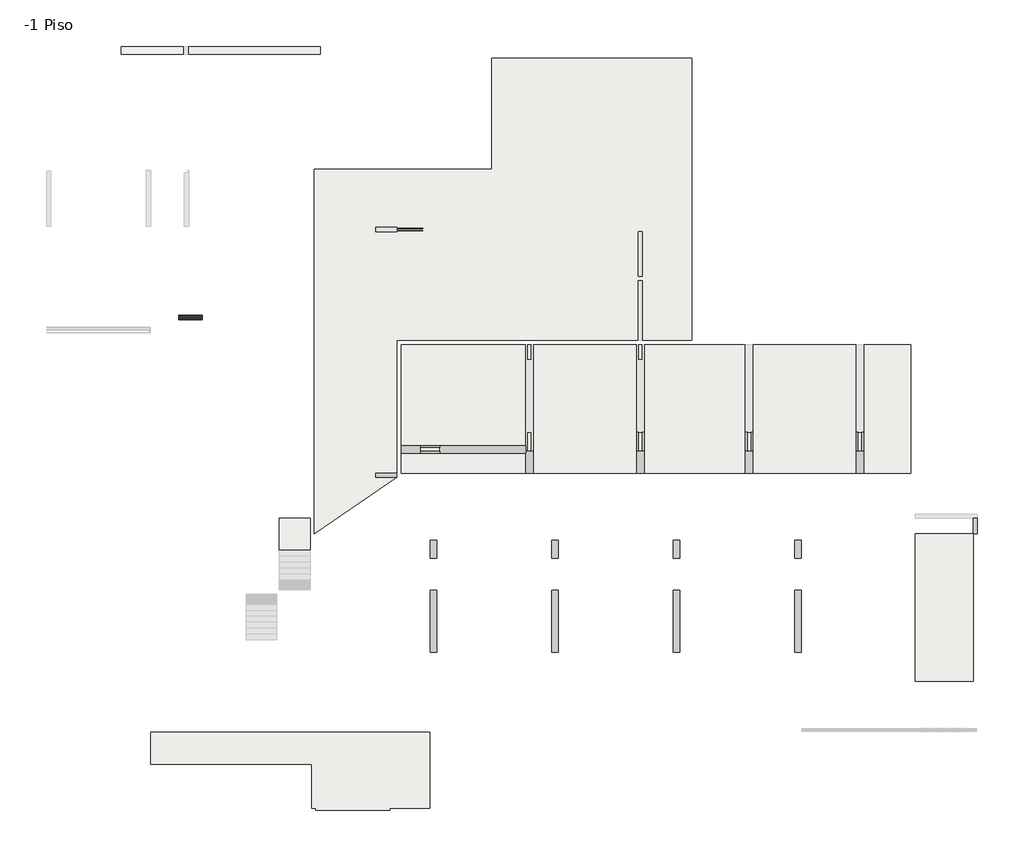
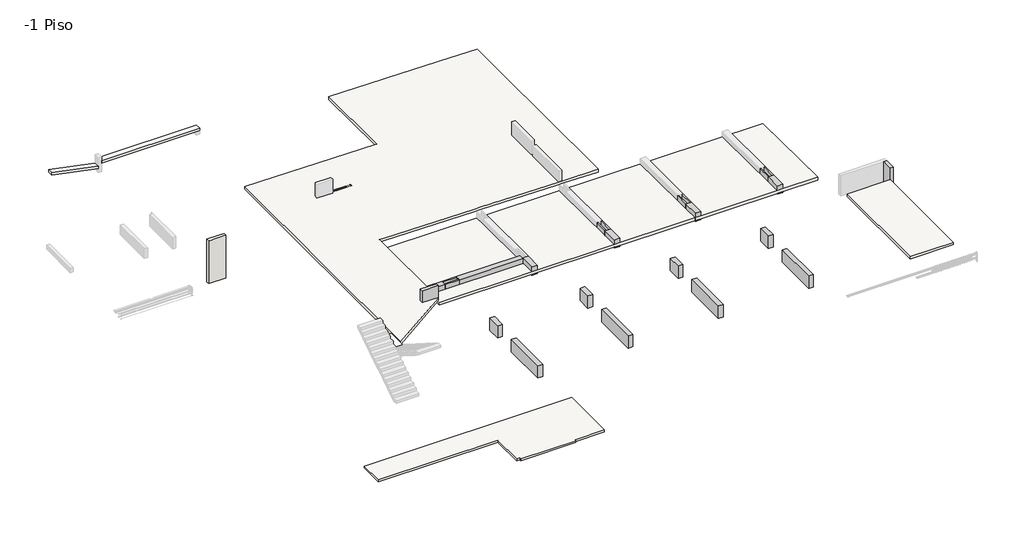
# One storey, part 1 of 3: 20 beams, 7 slabs, 1 wall.
"""IFC4 building model written with IfcOpenShell, lengths in millimetres."""

from ifc_helpers import new_model, si_unit, frame, origin, place, context, project, spatial, polyline, outline, extrude, faceted_brep, element, save

model = new_model("IFC4")

# Units and contexts
model_context = context("Model", 3, world=origin())
ifc_project = project(units=[si_unit("LENGTHUNIT", "METRE", prefix="MILLI")], contexts=[model_context])

# Site, building, storey
site = spatial("IfcSite", under=ifc_project)
building = spatial("IfcBuilding", under=site)
storey = spatial("IfcBuildingStorey", under=building, Name="-1 Piso", Elevation=-670.0)

# Beams
placement = place(None, origin())
element("IfcBeam", 1, ObjectType="V. 20/135", at=placement, inside=storey, context=model_context, shape_type="Brep", body=[
    faceted_brep([(1994.3087092, -5419.0672499, 100.0), (1794.3087092, -5419.0672499, 100.0), (1794.3087092, -5419.0672499, -670.0), (1794.3087092, -5419.0672499, -830.0156792), (1794.3087092, -5419.0672499, -1250.0), (1994.3087092, -5419.0672499, -1250.0), (1994.3087092, -5419.0672499, -670.0), (1994.3087092, -4689.0672499, -1250.0), (1994.3087092, -4689.0672499, 100.0), (1794.3087092, -4689.0672499, -1250.0), (1794.3087092, -4689.0672499, 100.0), (1794.3087092, -4689.0672499, -680.22), (1794.3087092, -4689.0672499, -840.2356792)], [[[0, 1, 2, 3, 4, 5, 6]], [[0, 6, 5, 7, 8]], [[5, 4, 9, 7]], [[4, 3, 2, 1, 10, 11, 12, 9]], [[1, 0, 8, 10]], [[8, 7, 9, 12, 11, 10]]]),
])
element("IfcBeam", 2, ObjectType="V. 30/98", at=placement, inside=storey, context=model_context, shape_type="Brep", body=[
    faceted_brep([(-23325.6912908, -8059.0672499, -1650.0), (-23625.6912908, -8059.0672499, -1650.0), (-23625.6912908, -8059.0672499, -830.0), (-23325.6912908, -8059.0672499, -830.0), (-23625.6912908, -10959.0672499, -1650.0), (-23325.6912908, -10959.0672499, -1650.0), (-23325.6912908, -10959.0672499, -830.0), (-23625.6912908, -10959.0672499, -830.0), (-23625.6912908, -8979.0956987, -830.0)], [[[0, 1, 2, 3]], [[4, 5, 6, 7]], [[5, 0, 3, 6]], [[1, 0, 5, 4]], [[1, 4, 7, 8, 2]], [[3, 2, 8, 7, 6]]]),
])
element("IfcBeam", 3, ObjectType="V. 30/98", at=placement, inside=storey, context=model_context, shape_type="SweptSolid", body=[
    extrude(outline(polyline([(-23325.6912908, -6559.0672499), (-23625.6912908, -6559.0672499), (-23625.6912908, -5719.0672499), (-23325.6912908, -5719.0672499), (-23325.6912908, -6559.0672499)])), frame((0.0, 0.0, -1650.0), z_axis=(0.0, 0.0, 1.0), x_axis=(1.0, 0.0, 0.0)), (0.0, 0.0, 1.0), 820.0),
])
element("IfcBeam", 4, ObjectType="V. 30/98", at=placement, inside=storey, context=model_context, shape_type="SweptSolid", body=[
    extrude(outline(polyline([(-17635.6912908, -6559.0672499), (-17935.6912908, -6559.0672499), (-17935.6912908, -5719.0672499), (-17635.6912908, -5719.0672499), (-17635.6912908, -6559.0672499)])), frame((0.0, 0.0, -1650.0), z_axis=(0.0, 0.0, 1.0), x_axis=(1.0, 0.0, 0.0)), (0.0, 0.0, 1.0), 820.0),
])
element("IfcBeam", 5, ObjectType="V. 30/98", at=placement, inside=storey, context=model_context, shape_type="SweptSolid", body=[
    extrude(outline(polyline([(-17935.6912908, -8059.0672499), (-17635.6912908, -8059.0672499), (-17635.6912908, -10959.0672499), (-17935.6912908, -10959.0672499), (-17935.6912908, -8059.0672499)])), frame((0.0, 0.0, -1650.0), z_axis=(0.0, 0.0, 1.0), x_axis=(1.0, 0.0, 0.0)), (0.0, 0.0, 1.0), 820.0),
])
element("IfcBeam", 6, ObjectType="V. 30/98", at=placement, inside=storey, context=model_context, shape_type="SweptSolid", body=[
    extrude(outline(polyline([(-12245.6912908, -8059.0672499), (-11945.6912908, -8059.0672499), (-11945.6912908, -10959.0672499), (-12245.6912908, -10959.0672499), (-12245.6912908, -8059.0672499)])), frame((0.0, 0.0, -1650.0), z_axis=(0.0, 0.0, 1.0), x_axis=(1.0, 0.0, 0.0)), (0.0, 0.0, 1.0), 820.0),
])
element("IfcBeam", 7, ObjectType="V. 30/98", at=placement, inside=storey, context=model_context, shape_type="SweptSolid", body=[
    extrude(outline(polyline([(-6555.6912908, -8059.0672499), (-6255.6912908, -8059.0672499), (-6255.6912908, -10959.0672499), (-6555.6912908, -10959.0672499), (-6555.6912908, -8059.0672499)])), frame((0.0, 0.0, -1650.0), z_axis=(0.0, 0.0, 1.0), x_axis=(1.0, 0.0, 0.0)), (0.0, 0.0, 1.0), 820.0),
])
element("IfcBeam", 8, ObjectType="V. 30/98", at=placement, inside=storey, context=model_context, shape_type="SweptSolid", body=[
    extrude(outline(polyline([(-11945.6912908, -6559.0672499), (-12245.6912908, -6559.0672499), (-12245.6912908, -5719.0672499), (-11945.6912908, -5719.0672499), (-11945.6912908, -6559.0672499)])), frame((0.0, 0.0, -1650.0), z_axis=(0.0, 0.0, 1.0), x_axis=(1.0, 0.0, 0.0)), (0.0, 0.0, 1.0), 820.0),
])
element("IfcBeam", 9, ObjectType="V. 30/98", at=placement, inside=storey, context=model_context, shape_type="SweptSolid", body=[
    extrude(outline(polyline([(-6255.6912908, -6559.0672499), (-6555.6912908, -6559.0672499), (-6555.6912908, -5719.0672499), (-6255.6912908, -5719.0672499), (-6255.6912908, -6559.0672499)])), frame((0.0, 0.0, -1650.0), z_axis=(0.0, 0.0, 1.0), x_axis=(1.0, 0.0, 0.0)), (0.0, 0.0, 1.0), 820.0),
])
element("IfcBeam", 10, ObjectType="VI. 20/80", at=placement, inside=storey, context=model_context, shape_type="Brep", body=[
    faceted_brep([(-26195.6912908, -2769.0672499, 100.0), (-26195.6912908, -2569.0672499, 100.0), (-26195.6912908, -2569.0672499, -673.69875), (-26195.6912908, -2769.0672499, -673.69875), (-25195.6912908, -2569.0672499, 100.0), (-25195.6912908, -2769.0672499, 100.0), (-25195.6912908, -2769.0672499, -683.69875), (-25195.6912908, -2569.0672499, -683.69875), (-25195.6912908, -2569.0672499, -350.0), (-25195.6912908, -2569.0672499, -200.0)], [[[0, 1, 2, 3]], [[4, 5, 6, 7, 8, 9]], [[1, 4, 9, 8, 7, 2]], [[5, 0, 3, 6]], [[1, 0, 5, 4]], [[3, 2, 7, 6]]]),
])
element("IfcBeam", 11, ObjectType="VI. 35/55", at=placement, inside=storey, context=model_context, shape_type="Brep", body=[
    faceted_brep([(-18820.6912908, -1559.1017012, -900.0), (-18820.6912908, -1559.1017012, -1220.0996555), (-18820.6912908, -1559.1017012, -1400.1086553), (-18820.6912908, -1559.1017012, -1450.0), (-18895.6912908, -1559.1017012, -1450.0), (-19095.6912908, -1559.1017012, -1450.0), (-19170.6912908, -1559.1017012, -1450.0), (-19170.6912908, -1559.1017012, -1400.1086553), (-19170.6912908, -1559.1017012, -1220.0996555), (-19170.6912908, -1559.1017012, -900.0), (-19095.6912908, -1559.1017012, -900.0), (-18895.6912908, -1559.1017012, -900.0), (-18820.6912908, -2569.0672499, -900.0), (-19170.6912908, -2569.0672499, -900.0), (-19170.6912908, -2569.0672499, -1450.0), (-18820.6912908, -2569.0672499, -1450.0), (-19170.6912908, -1634.1017012, -1450.0), (-19170.6912908, -1634.1017012, -900.0)], [[[0, 1, 2, 3, 4, 5, 6, 7, 8, 9, 10, 11]], [[12, 13, 14, 15]], [[3, 2, 1, 0, 12, 15]], [[6, 5, 4, 3, 15, 14, 16]], [[9, 8, 7, 6, 16, 14, 13, 17]], [[0, 11, 10, 9, 17, 13, 12]]]),
])
element("IfcBeam", 12, ObjectType="VI. 35/55", at=placement, inside=storey, context=model_context, shape_type="Brep", body=[
    faceted_brep([(-24095.725742, -1634.1017012, -900.0), (-24095.725742, -1634.1017012, -1219.3496555), (-24095.725742, -1634.1017012, -1399.3586553), (-24095.725742, -1634.1017012, -1450.0), (-24095.725742, -1559.1017012, -1450.0), (-24095.725742, -1359.1017012, -1450.0), (-24095.725742, -1284.1017012, -1450.0), (-24095.725742, -1284.1017012, -1402.8586553), (-24095.725742, -1284.1017012, -1222.8496555), (-24095.725742, -1284.1017012, -900.0), (-24095.725742, -1359.1017012, -900.0), (-24095.725742, -1559.1017012, -900.0), (-24995.6912908, -1634.1017012, -900.0), (-24995.6912908, -1284.1017012, -900.0), (-24995.6912908, -1284.1017012, -1450.0), (-24995.6912908, -1634.1017012, -1450.0)], [[[0, 1, 2, 3, 4, 5, 6, 7, 8, 9, 10, 11]], [[12, 13, 14, 15]], [[3, 2, 1, 0, 12, 15]], [[6, 5, 4, 3, 15, 14]], [[9, 8, 7, 6, 14, 13]], [[0, 11, 10, 9, 13, 12]]]),
])
element("IfcBeam", 13, ObjectType="VI. 35/55", at=placement, inside=storey, context=model_context, shape_type="Brep", body=[
    faceted_brep([(-8520.6912908, -1559.1017012, -900.0), (-8520.6912908, -1559.1017012, -1220.0996555), (-8520.6912908, -1559.1017012, -1400.1086553), (-8520.6912908, -1559.1017012, -1450.0), (-8595.6912908, -1559.1017012, -1450.0), (-8795.6912908, -1559.1017012, -1450.0), (-8870.6912908, -1559.1017012, -1450.0), (-8870.6912908, -1559.1017012, -1400.1086553), (-8870.6912908, -1559.1017012, -1220.0996555), (-8870.6912908, -1559.1017012, -900.0), (-8795.6912908, -1559.1017012, -900.0), (-8595.6912908, -1559.1017012, -900.0), (-8520.6912908, -2569.0672499, -900.0), (-8870.6912908, -2569.0672499, -900.0), (-8870.6912908, -2569.0672499, -1450.0), (-8520.6912908, -2569.0672499, -1450.0)], [[[0, 1, 2, 3, 4, 5, 6, 7, 8, 9, 10, 11]], [[12, 13, 14, 15]], [[3, 2, 1, 0, 12, 15]], [[6, 5, 4, 3, 15, 14]], [[9, 8, 7, 6, 14, 13]], [[0, 11, 10, 9, 13, 12]]]),
])
element("IfcBeam", 14, ObjectType="VI. 35/55", at=placement, inside=storey, context=model_context, shape_type="SweptSolid", body=[
    extrude(outline(polyline([(-659.1017012, -900.0), (-659.1017012, -1229.0996555), (-1559.1017012, -1220.0996555), (-1559.1017012, -900.0), (-659.1017012, -900.0)])), frame((-3415.6912908, 0.0, 0.0), z_axis=(1.0, 0.0, 0.0), x_axis=(0.0, 1.0, 0.0)), (0.0, 0.0, 1.0), 75.0),
    extrude(outline(polyline([(-1559.1017012, -1450.0), (-1559.1017012, -1400.1086553), (-659.1017012, -1409.1086553), (-659.1017012, -1450.0), (-1559.1017012, -1450.0)])), frame((-3415.6912908, 0.0, 0.0), z_axis=(1.0, 0.0, 0.0), x_axis=(0.0, 1.0, 0.0)), (0.0, 0.0, 1.0), 75.0),
    extrude(outline(polyline([(-659.1017012, -1450.0), (-1559.1017012, -1450.0), (-1559.1017012, -1400.1086553), (-659.1017012, -1409.1086553), (-659.1017012, -1450.0)])), frame((-3690.6912908, 0.0, 0.0), z_axis=(1.0, 0.0, 0.0), x_axis=(0.0, 1.0, 0.0)), (0.0, 0.0, 1.0), 75.0),
    extrude(outline(polyline([(-1559.1017012, -900.0), (-659.1017012, -900.0), (-659.1017012, -1229.0996555), (-1559.1017012, -1220.0996555), (-1559.1017012, -900.0)])), frame((-3690.6912908, 0.0, 0.0), z_axis=(1.0, 0.0, 0.0), x_axis=(0.0, 1.0, 0.0)), (0.0, 0.0, 1.0), 75.0),
])
element("IfcBeam", 15, ObjectType="VI. 35/55", at=placement, inside=storey, context=model_context, shape_type="Brep", body=[
    faceted_brep([(-3690.6912908, -1559.1017012, -900.0), (-3615.6912908, -1559.1017012, -900.0), (-3415.6912908, -1559.1017012, -900.0), (-3340.6912908, -1559.1017012, -900.0), (-3340.6912908, -1559.1017012, -1220.0996555), (-3415.6912908, -1559.1017012, -1220.0996555), (-3615.6912908, -1559.1017012, -1220.0996555), (-3690.6912908, -1559.1017012, -1220.0996555), (-3340.6912908, -2569.0672499, -900.0), (-3340.6912908, -2569.0672499, -1210.0), (-3690.6912908, -2569.0672499, -900.0), (-3690.6912908, -2569.0672499, -1210.0)], [[[0, 1, 2, 3, 4, 5, 6, 7]], [[3, 8, 9, 4]], [[3, 2, 1, 0, 10, 8]], [[7, 6, 5, 4, 9, 11]], [[8, 10, 11, 9]], [[10, 0, 7, 11]]]),
    faceted_brep([(-3690.6912908, -2569.0672499, -1450.0), (-3340.6912908, -2569.0672499, -1450.0), (-3340.6912908, -2569.0672499, -1390.0089998), (-3690.6912908, -2569.0672499, -1390.0089998), (-3690.6912908, -1559.1017012, -1450.0), (-3615.6912908, -1559.1017012, -1450.0), (-3415.6912908, -1559.1017012, -1450.0), (-3340.6912908, -1559.1017012, -1450.0), (-3690.6912908, -1559.1017012, -1400.1086553), (-3340.6912908, -1559.1017012, -1400.1086553), (-3415.6912908, -1559.1017012, -1400.1086553), (-3615.6912908, -1559.1017012, -1400.1086553)], [[[0, 1, 2, 3]], [[4, 5, 6, 7, 1, 0]], [[4, 0, 3, 8]], [[9, 10, 11, 8, 3, 2]], [[7, 6, 5, 4, 8, 11, 10, 9]], [[1, 7, 9, 2]]]),
])
element("IfcBeam", 16, ObjectType="VI. 35/55", at=placement, inside=storey, context=model_context, shape_type="SweptSolid", body=[
    extrude(outline(polyline([(-659.0672499, -900.0), (-659.0672499, -1229.1), (-1559.1017012, -1220.0996555), (-1559.1017012, -900.0), (-659.0672499, -900.0)])), frame((-8595.6912908, 0.0, 0.0), z_axis=(1.0, 0.0, 0.0), x_axis=(0.0, 1.0, 0.0)), (0.0, 0.0, 1.0), 75.0),
    extrude(outline(polyline([(-1559.1017012, -1450.0), (-1559.1017012, -1400.1086553), (-659.0672499, -1409.1089998), (-659.0672499, -1450.0), (-1559.1017012, -1450.0)])), frame((-8595.6912908, 0.0, 0.0), z_axis=(1.0, 0.0, 0.0), x_axis=(0.0, 1.0, 0.0)), (0.0, 0.0, 1.0), 75.0),
    extrude(outline(polyline([(-659.0672499, -1450.0), (-1559.1017012, -1450.0), (-1559.1017012, -1400.1086553), (-659.0672499, -1409.1089998), (-659.0672499, -1450.0)])), frame((-8870.6912908, 0.0, 0.0), z_axis=(1.0, 0.0, 0.0), x_axis=(0.0, 1.0, 0.0)), (0.0, 0.0, 1.0), 75.0),
    extrude(outline(polyline([(-1559.1017012, -900.0), (-659.0672499, -900.0), (-659.0672499, -1229.1), (-1559.1017012, -1220.0996555), (-1559.1017012, -900.0)])), frame((-8870.6912908, 0.0, 0.0), z_axis=(1.0, 0.0, 0.0), x_axis=(0.0, 1.0, 0.0)), (0.0, 0.0, 1.0), 75.0),
])
element("IfcBeam", 17, ObjectType="VI. 35/55", at=placement, inside=storey, context=model_context, shape_type="SweptSolid", body=[
    extrude(outline(polyline([(-659.1017012, -900.0), (-659.1017012, -1229.0996555), (-1559.1017012, -1220.0996555), (-1559.1017012, -900.0), (-659.1017012, -900.0)])), frame((-13695.6912908, 0.0, 0.0), z_axis=(1.0, 0.0, 0.0), x_axis=(0.0, 1.0, 0.0)), (0.0, 0.0, 1.0), 75.0),
    extrude(outline(polyline([(-1559.1017012, -1450.0), (-1559.1017012, -1400.1086553), (-659.1017012, -1409.1086553), (-659.1017012, -1450.0), (-1559.1017012, -1450.0)])), frame((-13695.6912908, 0.0, 0.0), z_axis=(1.0, 0.0, 0.0), x_axis=(0.0, 1.0, 0.0)), (0.0, 0.0, 1.0), 75.0),
    extrude(outline(polyline([(-659.1017012, -1450.0), (-1559.1017012, -1450.0), (-1559.1017012, -1400.1086553), (-659.1017012, -1409.1086553), (-659.1017012, -1450.0)])), frame((-13970.6912908, 0.0, 0.0), z_axis=(1.0, 0.0, 0.0), x_axis=(0.0, 1.0, 0.0)), (0.0, 0.0, 1.0), 75.0),
    extrude(outline(polyline([(-1559.1017012, -900.0), (-659.1017012, -900.0), (-659.1017012, -1229.0996555), (-1559.1017012, -1220.0996555), (-1559.1017012, -900.0)])), frame((-13970.6912908, 0.0, 0.0), z_axis=(1.0, 0.0, 0.0), x_axis=(0.0, 1.0, 0.0)), (0.0, 0.0, 1.0), 75.0),
])
element("IfcBeam", 18, ObjectType="VI. 35/55", at=placement, inside=storey, context=model_context, shape_type="Brep", body=[
    faceted_brep([(-13970.6912908, -1559.1017012, -900.0), (-13895.6912908, -1559.1017012, -900.0), (-13695.6912908, -1559.1017012, -900.0), (-13620.6912908, -1559.1017012, -900.0), (-13620.6912908, -1559.1017012, -1220.0996555), (-13695.6912908, -1559.1017012, -1220.0996555), (-13895.6912908, -1559.1017012, -1220.0996555), (-13970.6912908, -1559.1017012, -1220.0996555), (-13620.6912908, -2569.0672499, -900.0), (-13620.6912908, -2569.0672499, -1210.0), (-13970.6912908, -2569.0672499, -900.0), (-13970.6912908, -2569.0672499, -1210.0)], [[[0, 1, 2, 3, 4, 5, 6, 7]], [[3, 8, 9, 4]], [[3, 2, 1, 0, 10, 8]], [[7, 6, 5, 4, 9, 11]], [[8, 10, 11, 9]], [[10, 0, 7, 11]]]),
    faceted_brep([(-13970.6912908, -2569.0672499, -1450.0), (-13620.6912908, -2569.0672499, -1450.0), (-13620.6912908, -2569.0672499, -1390.0089998), (-13970.6912908, -2569.0672499, -1390.0089998), (-13970.6912908, -1559.1017012, -1450.0), (-13895.6912908, -1559.1017012, -1450.0), (-13695.6912908, -1559.1017012, -1450.0), (-13620.6912908, -1559.1017012, -1450.0), (-13970.6912908, -1559.1017012, -1400.1086553), (-13620.6912908, -1559.1017012, -1400.1086553), (-13695.6912908, -1559.1017012, -1400.1086553), (-13895.6912908, -1559.1017012, -1400.1086553)], [[[0, 1, 2, 3]], [[4, 5, 6, 7, 1, 0]], [[4, 0, 3, 8]], [[9, 10, 11, 8, 3, 2]], [[7, 6, 5, 4, 8, 11, 10, 9]], [[1, 7, 9, 2]]]),
])
element("IfcBeam", 19, ObjectType="VI. 35/55", at=placement, inside=storey, context=model_context, shape_type="SweptSolid", body=[
    extrude(outline(polyline([(-1634.1017012, -1219.3496555), (-1634.1017012, -900.0), (-1559.1017012, -900.0), (-1559.1017012, -1220.0996555), (-1634.1017012, -1219.3496555)])), frame((-24095.725742, 0.0, 0.0), z_axis=(1.0, 0.0, 0.0), x_axis=(0.0, 1.0, 0.0)), (0.0, 0.0, 1.0), 899.9655487),
    extrude(outline(polyline([(-1634.1017012, -1450.0), (-1634.1017012, -1399.3586553), (-1559.1017012, -1400.1086553), (-1559.1017012, -1450.0), (-1634.1017012, -1450.0)])), frame((-24095.725742, 0.0, 0.0), z_axis=(1.0, 0.0, 0.0), x_axis=(0.0, 1.0, 0.0)), (0.0, 0.0, 1.0), 899.9655487),
    extrude(outline(polyline([(-1284.1017012, -1402.8586553), (-1284.1017012, -1450.0), (-1359.1017012, -1450.0), (-1359.1017012, -1402.1086553), (-1284.1017012, -1402.8586553)])), frame((-24095.725742, 0.0, 0.0), z_axis=(1.0, 0.0, 0.0), x_axis=(0.0, 1.0, 0.0)), (0.0, 0.0, 1.0), 899.9655487),
    extrude(outline(polyline([(-1284.1017012, -900.0), (-1284.1017012, -1222.8496555), (-1359.1017012, -1222.0996555), (-1359.1017012, -900.0), (-1284.1017012, -900.0)])), frame((-24095.725742, 0.0, 0.0), z_axis=(1.0, 0.0, 0.0), x_axis=(0.0, 1.0, 0.0)), (0.0, 0.0, 1.0), 899.9655487),
])
element("IfcBeam", 20, ObjectType="VI. 35/55", at=placement, inside=storey, context=model_context, shape_type="Brep", body=[
    faceted_brep([(-19170.6912908, -1284.1017012, -900.0), (-19170.6912908, -1559.1017012, -900.0), (-19170.6912908, -1634.1017012, -900.0), (-19170.6912908, -1634.1017012, -1219.3496555), (-19170.6912908, -1559.1017012, -1220.0996555), (-19170.6912908, -1284.1017012, -1222.8496555), (-23195.7601933, -1634.1017012, -900.0), (-23195.7601933, -1634.1017012, -1219.3496555), (-23195.7601933, -1284.1017012, -900.0), (-23195.7601933, -1359.1017012, -900.0), (-23195.7601933, -1559.1017012, -900.0), (-23195.7601933, -1559.1017012, -1220.0996555), (-23195.7601933, -1359.1017012, -1222.0996555), (-23195.7601933, -1284.1017012, -1222.8496555)], [[[0, 1, 2, 3, 4, 5]], [[2, 6, 7, 3]], [[2, 1, 0, 8, 9, 10, 6]], [[5, 4, 3, 7, 11, 12, 13]], [[6, 10, 9, 8, 13, 12, 11, 7]], [[8, 0, 5, 13]]]),
    faceted_brep([(-23195.7601933, -1284.1017012, -1450.0), (-23195.7601933, -1359.1017012, -1450.0), (-23195.7601933, -1559.1017012, -1450.0), (-23195.7601933, -1634.1017012, -1450.0), (-23195.7601933, -1634.1017012, -1399.3586553), (-23195.7601933, -1559.1017012, -1400.1086553), (-23195.7601933, -1359.1017012, -1402.1086553), (-23195.7601933, -1284.1017012, -1402.8586553), (-19170.6912908, -1284.1017012, -1450.0), (-19170.6912908, -1559.1017012, -1450.0), (-19170.6912908, -1634.1017012, -1450.0), (-19170.6912908, -1284.1017012, -1402.8586553), (-19170.6912908, -1634.1017012, -1399.3586553), (-19170.6912908, -1559.1017012, -1400.1086553)], [[[0, 1, 2, 3, 4, 5, 6, 7]], [[8, 9, 10, 3, 2, 1, 0]], [[8, 0, 7, 11]], [[12, 13, 11, 7, 6, 5, 4]], [[10, 9, 8, 11, 13, 12]], [[3, 10, 12, 4]]]),
])

# Slabs
element("IfcSlab", 21, at=placement, inside=storey, context=model_context, shape_type="SweptSolid", body=[
    extrude(outline(polyline([(-925.6912908, -5419.0672499), (1794.3087092, -5419.0672499), (1794.3087092, -12319.0672499), (-925.6912908, -12319.0672499), (-925.6912908, -5419.0672499)])), frame((0.0, 0.0, -830.0), z_axis=(0.0, 0.0, 1.0), x_axis=(1.0, 0.0, 0.0)), (0.0, 0.0, 1.0), 160.0),
])
element("IfcSlab", 22, at=placement, inside=storey, context=model_context, shape_type="Brep", body=[
    faceted_brep([(-23650.6912908, -14699.0672499, -790.0), (-23650.6912908, -18269.0672499, -790.0), (-25535.6912908, -18269.0672499, -790.0), (-25535.6912908, -18369.0672499, -790.0), (-28990.6912908, -18369.0672499, -790.0), (-28990.6912908, -18269.0672499, -790.0), (-29190.6912908, -18269.0672499, -790.0), (-29190.6912908, -16219.0672499, -790.0), (-36735.6912908, -16219.0672499, -790.0), (-36735.6912908, -14699.0672499, -790.0), (-23650.6912908, -14699.0672499, -670.0), (-36735.6912908, -14699.0672499, -670.0), (-36735.6912908, -16219.0672499, -670.0), (-29190.6912908, -16219.0672499, -670.0), (-29190.6912908, -18269.0672499, -670.0), (-28990.6912908, -18269.0672499, -670.0), (-28990.6912908, -18369.0672499, -670.0), (-25535.6912908, -18369.0672499, -670.0), (-25535.6912908, -18269.0672499, -670.0), (-23650.6912908, -18269.0672499, -670.0), (-23650.6912908, -17759.0672499, -670.0), (-23650.6912908, -16879.0672499, -670.0), (-23650.6912908, -16289.0672499, -670.0)], [[[0, 1, 2, 3, 4, 5, 6, 7, 8, 9]], [[10, 11, 12, 13, 14, 15, 16, 17, 18, 19, 20, 21, 22]], [[1, 0, 10, 22, 21, 20, 19]], [[2, 1, 19, 18]], [[3, 2, 18, 17]], [[4, 3, 17, 16]], [[5, 4, 16, 15]], [[6, 5, 15, 14]], [[7, 6, 14, 13]], [[8, 7, 13, 12]], [[9, 8, 12, 11]], [[0, 9, 11, 10]]]),
])
element("IfcSlab", 23, at=placement, inside=storey, context=model_context, shape_type="Brep", body=[
    faceted_brep([(-28795.6912908, 17405.9327501, -310.0), (-28795.6912908, 17050.9327501, -310.0), (-28995.6912908, 17050.9327501, -310.0), (-34975.6912908, 17050.9327501, -310.0), (-34975.6912908, 17405.9327501, -310.0), (-28995.6912908, 17405.9327501, -310.0), (-28795.6912908, 17405.9327501, -150.0), (-34975.6912908, 17405.9327501, -150.0), (-34975.6912908, 17050.9327501, -150.0), (-28795.6912908, 17050.9327501, -150.0)], [[[0, 1, 2, 3, 4, 5]], [[6, 7, 8, 9]], [[1, 0, 6, 9]], [[3, 2, 1, 9, 8]], [[4, 3, 8, 7]], [[0, 5, 4, 7, 6]]]),
])
element("IfcSlab", 24, ObjectType="LHA16", at=placement, inside=storey, context=model_context, shape_type="SweptSolid", body=[
    extrude(outline(polyline([(-33.2316832, -38105.6912908), (-625.0916832, -35175.6912908), (-461.86, -35175.6912908), (130.0, -38105.6912908), (-33.2316832, -38105.6912908)])), frame((0.0, 17050.9327501, 0.0), z_axis=(0.0, 1.0, 0.0), x_axis=(0.0, 0.0, 1.0)), (0.0, 0.0, 1.0), 355.0),
])
element("IfcSlab", 25, ObjectType="LHA18", at=placement, inside=storey, context=model_context, shape_type="Brep", body=[
    faceted_brep([(-29065.6912908, 11650.9327501, -850.0089998), (-25195.6912908, 11650.9327501, -888.7089998), (-24995.6912908, 11650.9327501, -890.7089998), (-20750.6912908, 11650.9327501, -933.1589998), (-20750.6912908, 11925.9327501, -933.1589998), (-20750.6912908, 16850.9327501, -933.1589998), (-11395.6912908, 16850.9327501, -1026.7089998), (-11395.6912908, 11925.9327501, -1026.7089998), (-11395.6912908, 11575.9327501, -1026.7089998), (-11395.6912908, 6635.9327501, -1026.7089998), (-11395.6912908, 6435.9327501, -1026.7089998), (-11395.6912908, 3640.9327501, -1026.7089998), (-13620.6912908, 3640.9327501, -1004.4589998), (-13970.6912908, 3640.9327501, -1000.9589998), (-18820.6912908, 3640.9327501, -952.4589998), (-19170.6912908, 3640.9327501, -948.9589998), (-24995.6912908, 3640.9327501, -890.7089998), (-25195.6912908, 3640.9327501, -888.7089998), (-25195.6912908, -2769.0672499, -888.7089998), (-29065.6912908, -5419.0672499, -850.0089998), (-29065.6912908, 11650.9327501, -670.0), (-29065.6912908, -5419.0672499, -670.0), (-25195.6912908, -2769.0672499, -708.7), (-25195.6912908, 3640.9327501, -708.7), (-24995.6912908, 3640.9327501, -710.7), (-19170.6912908, 3640.9327501, -768.95), (-18820.6912908, 3640.9327501, -772.45), (-13895.6912908, 3640.9327501, -821.7), (-13695.6912908, 3640.9327501, -823.7), (-11395.6912908, 3640.9327501, -846.7), (-11395.6912908, 6435.9327501, -846.7), (-11395.6912908, 6635.9327501, -846.7), (-11395.6912908, 16850.9327501, -846.7), (-13695.6912908, 16850.9327501, -823.7), (-13895.6912908, 16850.9327501, -821.7), (-17130.6912908, 16850.9327501, -789.35), (-17330.6912908, 16850.9327501, -787.35), (-20750.6912908, 16850.9327501, -753.15), (-20750.6912908, 11925.9327501, -753.15), (-20750.6912908, 11650.9327501, -753.15)], [[[0, 1, 2, 3, 4, 5, 6, 7, 8, 9, 10, 11, 12, 13, 14, 15, 16, 17, 18, 19]], [[20, 21, 22, 23, 24, 25, 26, 27, 28, 29, 30, 31, 32, 33, 34, 35, 36, 37, 38, 39]], [[3, 2, 1, 0, 20, 39]], [[5, 4, 3, 39, 38, 37]], [[6, 5, 37, 36, 35, 34, 33, 32]], [[11, 10, 9, 8, 7, 6, 32, 31, 30, 29]], [[17, 16, 15, 14, 13, 12, 11, 29, 28, 27, 26, 25, 24, 23]], [[18, 17, 23, 22]], [[19, 18, 22, 21]], [[0, 19, 21, 20]]]),
])
element("IfcSlab", 26, ObjectType="LHA18", at=placement, inside=storey, context=model_context, shape_type="Brep", body=[
    faceted_brep([(-1125.6912908, 3440.9327501, -1450.1089998), (-1125.6912908, -2569.0672499, -1390.0089998), (-3340.6912908, -2569.0672499, -1390.0089998), (-3690.6912908, -2569.0672499, -1390.0089998), (-13620.6912908, -2569.0672499, -1390.0089998), (-13970.6912908, -2569.0672499, -1390.0089998), (-24995.6912908, -2569.0672499, -1390.0089998), (-24995.6912908, 3440.9327501, -1450.1089998), (-1125.6912908, 3440.9327501, -1270.1), (-24995.6912908, 3440.9327501, -1270.1), (-24995.6912908, -2569.0672499, -1210.0), (-13970.6912908, -2569.0672499, -1210.0), (-13620.6912908, -2569.0672499, -1210.0), (-3690.6912908, -2569.0672499, -1210.0), (-3340.6912908, -2569.0672499, -1210.0), (-1125.6912908, -2569.0672499, -1210.0)], [[[0, 1, 2, 3, 4, 5, 6, 7]], [[8, 9, 10, 11, 12, 13, 14, 15]], [[1, 0, 8, 15]], [[6, 5, 4, 3, 2, 1, 15, 14, 13, 12, 11, 10]], [[7, 6, 10, 9]], [[0, 7, 9, 8]]]),
])
element("IfcSlab", 27, ObjectType="LHA33.75", at=placement, inside=storey, context=model_context, shape_type="Brep", body=[
    faceted_brep([(-29265.6912908, -4689.0672499, -830.0), (-29265.6912908, -6184.0672499, -830.0), (-30695.6912908, -6184.0672499, -830.0), (-30695.6912908, -4689.0672499, -830.0), (-29265.6912908, -4689.0672499, -492.5), (-30695.6912908, -4689.0672499, -492.5), (-30695.6912908, -6184.0672499, -492.5), (-29265.6912908, -6184.0672499, -492.5), (-29265.6912908, -4689.0672499, -670.0)], [[[0, 1, 2, 3]], [[4, 5, 6, 7]], [[1, 0, 8, 4, 7]], [[2, 1, 7, 6]], [[3, 2, 6, 5]], [[0, 3, 5, 4, 8]]]),
])

# Wall
element("IfcWall", 28, ObjectType="MHA20", at=placement, inside=storey, context=model_context, shape_type="Brep", body=[
    faceted_brep([(-35405.6912908, 4620.9327501, -670.0), (-34305.6912908, 4620.9327501, -670.0), (-34305.6912908, 4620.9327501, 2170.0), (-35405.6912908, 4620.9327501, 2170.0), (-35405.6912908, 4820.9327501, -670.0), (-35405.6912908, 4820.9327501, 2170.0), (-34605.6912908, 4820.9327501, 2170.0), (-34305.6912908, 4820.9327501, 2170.0), (-34305.6912908, 4820.9327501, -670.0), (-34605.6912908, 4820.9327501, -670.0)], [[[0, 1, 2, 3]], [[4, 5, 6, 7, 8, 9]], [[1, 0, 4, 9, 8]], [[3, 2, 7, 6, 5]], [[0, 3, 5, 4]], [[2, 1, 8, 7]]]),
])

save(model, "model.ifc")
